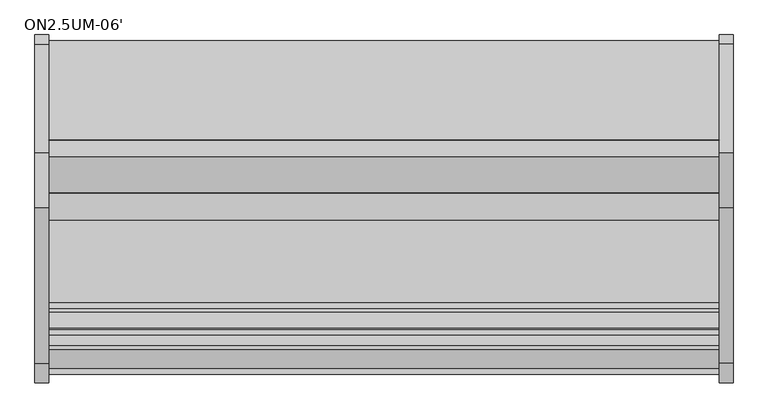
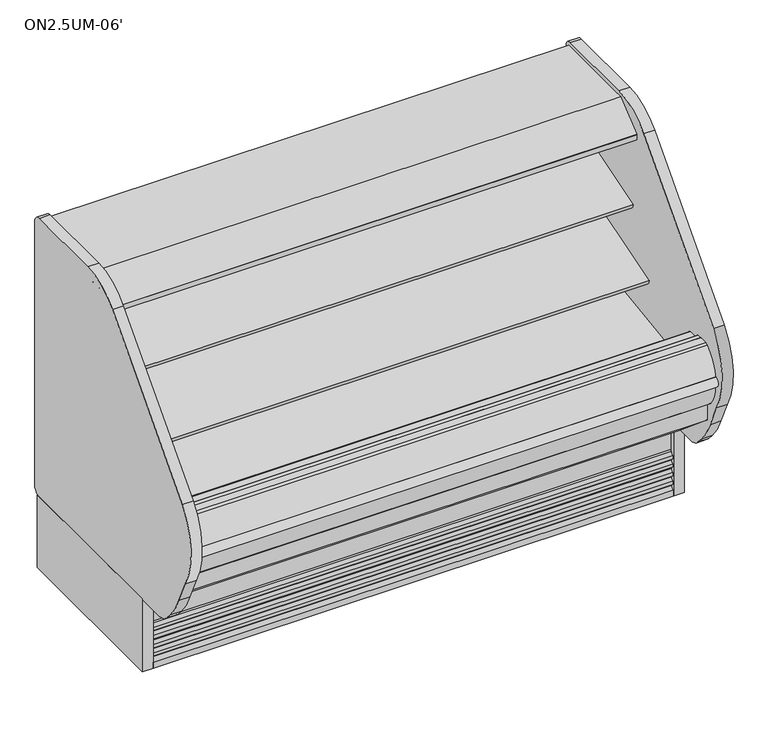
"""IFC4 building model written with IfcOpenShell, lengths in millimetres: proxy geometry, ON2.5UM-06'."""

from ifc_helpers import new_model, si_unit, point, frame, frame_2d, origin, origin_with_axes, place, context, project, spatial, polyline, circle_curve, trimmed, segment, composite_curve, outline, extrude, source, transform, mapped, element, save
from ifc_brep_helpers import plane_surface, revolved_surface, advanced_brep


def on2_5um_06_072f89f9(model_context):
    return source(origin(), model_context, "Body", "SolidModel", [
        extrude(outline(polyline([(507.388263, -893.2764617), (202.588263, -893.2764617), (202.588263, -791.6764617), (507.388263, -791.6764617), (507.388263, -893.2764617)])), frame((0.0, 0.0, 73.025), z_axis=(0.0, 0.0, 1.0), x_axis=(1.0, 0.0, 0.0)), (0.0, 0.0, 1.0), 53.975),
        extrude(outline(composite_curve([segment(polyline([(-450.9752145, 601.5405648), (-468.3502366, 595.9037411)]), True, "CONTINUOUS"), segment(trimmed(circle_curve(frame_2d((-476.1883714, 620.0641145)), 25.4), [point((-468.3502366, 595.9037411))], [point((-485.6945728, 596.5100886))], False, "CARTESIAN"), True, "CONTINUOUS"), segment(polyline([(-485.6945728, 596.5100886), (-506.9899706, 605.1047271)]), True, "CONTINUOUS"), segment(trimmed(circle_curve(frame_2d((-530.755474, 546.2196624)), 63.5), [point((-506.9899706, 605.1047271))], [point((-541.6241367, 608.7826081))], True, "CARTESIAN"), True, "CONTINUOUS"), segment(polyline([(-541.6241367, 608.7826081), (-729.3406491, 576.171812), (-731.7702933, 579.0267523), (-835.4587722, 547.3260029), (-839.6174674, 560.9284818), (-450.9752145, 679.7483426), (-450.9752145, 601.5405648)]), True, "CONTINUOUS")], self_intersect=False)), frame((0.0, 0.0, 0.0), z_axis=(1.0, 0.0, 0.0), x_axis=(0.0, 1.0, 0.0)), (0.0, 0.0, 1.0), 1828.8),
        extrude(outline(composite_curve([segment(polyline([(-450.9752145, 796.011901), (-468.3502366, 790.3750773)]), True, "CONTINUOUS"), segment(trimmed(circle_curve(frame_2d((-476.1883714, 814.5354507)), 25.4), [point((-468.3502366, 790.3750773))], [point((-485.6945728, 790.9814248))], False, "CARTESIAN"), True, "CONTINUOUS"), segment(polyline([(-485.6945728, 790.9814248), (-506.9899706, 799.5760633)]), True, "CONTINUOUS"), segment(trimmed(circle_curve(frame_2d((-530.755474, 740.6909986)), 63.5), [point((-506.9899706, 799.5760633))], [point((-541.6241367, 803.2539443))], True, "CARTESIAN"), True, "CONTINUOUS"), segment(polyline([(-541.6241367, 803.2539443), (-679.3922366, 785.9139105), (-681.8218807, 788.7688507), (-738.298209, 771.5023043), (-742.4569042, 785.1047832), (-450.9752145, 874.2196788), (-450.9752145, 796.011901)]), True, "CONTINUOUS")], self_intersect=False)), frame((0.0, 0.0, 0.0), z_axis=(1.0, 0.0, 0.0), x_axis=(0.0, 1.0, 0.0)), (0.0, 0.0, 1.0), 1828.8),
        extrude(outline(composite_curve([segment(polyline([(-648.470614, 1072.6264761), (-649.9945361, 1074.2809705)]), True, "CONTINUOUS"), segment(trimmed(circle_curve(frame_2d((-649.4381785, 1074.7934206)), 0.7563986), [point((-649.9945361, 1074.2809705))], [point((-650.0466912, 1075.242699))], False, "CARTESIAN"), True, "CONTINUOUS"), segment(polyline([(-650.0466912, 1075.242699), (-648.8697344, 1075.2696879)]), True, "CONTINUOUS"), segment(trimmed(circle_curve(frame_2d((-648.8849906, 1075.9349944)), 0.6654814), [point((-648.8697344, 1075.2696879))], [point((-648.2227389, 1075.86951))], True, "CARTESIAN"), True, "CONTINUOUS"), segment(polyline([(-648.2227389, 1075.86951), (-620.3098143, 1075.9693853)]), True, "CONTINUOUS"), segment(trimmed(circle_curve(frame_2d((-619.7582325, 1075.901174)), 0.5557835), [point((-620.3098143, 1075.9693853))], [point((-619.8063732, 1075.3474794))], True, "CARTESIAN"), True, "CONTINUOUS"), segment(polyline([(-619.8063732, 1075.3474794), (-618.5866603, 1075.2414319)]), True, "CONTINUOUS"), segment(trimmed(circle_curve(frame_2d((-619.2724659, 1074.9057275)), 0.7635619), [point((-618.5866603, 1075.2414319))], [point((-618.7071533, 1074.3924554))], False, "CARTESIAN"), True, "CONTINUOUS"), segment(polyline([(-618.7071533, 1074.3924554), (-620.2979029, 1072.6404203), (-620.2739221, 1065.9383273)]), True, "CONTINUOUS"), segment(trimmed(circle_curve(frame_2d((-617.5454128, 1065.4973187)), 2.7639197), [point((-620.2739221, 1065.9383273))], [point((-618.5092301, 1062.9068924))], True, "CARTESIAN"), True, "CONTINUOUS"), segment(trimmed(circle_curve(frame_2d((-619.7320957, 1059.6202289)), 3.5067873), [point((-618.5092301, 1062.9068924))], [point((-617.51659, 1062.3385173))], False, "CARTESIAN"), True, "CONTINUOUS"), segment(trimmed(circle_curve(frame_2d((-619.9358423, 1056.2322704)), 6.5680312), [point((-617.51659, 1062.3385173))], [point((-613.3688711, 1056.350264))], False, "CARTESIAN"), True, "CONTINUOUS"), segment(trimmed(circle_curve(frame_2d((-1565.705013, 1048.3568984)), 952.3696872), [point((-613.3688711, 1056.350264))], [point((-613.3917721, 1037.9880818))], False, "CARTESIAN"), True, "CONTINUOUS"), segment(trimmed(circle_curve(frame_2d((-644.191626, 1038.432929)), 30.8030662), [point((-613.3917721, 1037.9880818))], [point((-613.4160701, 1037.1313729))], False, "CARTESIAN"), True, "CONTINUOUS"), segment(trimmed(circle_curve(frame_2d((-614.6672942, 1036.8230636)), 1.288649), [point((-613.4160701, 1037.1313729))], [point((-613.7448372, 1035.9232363))], False, "CARTESIAN"), True, "CONTINUOUS"), segment(polyline([(-613.7448372, 1035.9232363), (-615.3844258, 1035.9173697)]), True, "CONTINUOUS"), segment(trimmed(circle_curve(frame_2d((-614.9290066, 1038.5823232)), 2.7035873), [point((-615.3844258, 1035.9173697))], [point((-616.2763262, 1036.2383706))], False, "CARTESIAN"), True, "CONTINUOUS"), segment(polyline([(-616.2763262, 1036.2383706), (-652.0965363, 1036.1102022)]), True, "CONTINUOUS"), segment(trimmed(circle_curve(frame_2d((-653.4351306, 1038.4591487)), 2.7035873), [point((-652.0965363, 1036.1102022))], [point((-653.0538308, 1035.7825847))], False, "CARTESIAN"), True, "CONTINUOUS"), segment(polyline([(-653.0538308, 1035.7825847), (-654.7261323, 1035.7766011)]), True, "CONTINUOUS"), segment(trimmed(circle_curve(frame_2d((-653.779063, 1036.6504867)), 1.288649), [point((-654.7261323, 1035.7766011))], [point((-655.0218104, 1036.9913611))], False, "CARTESIAN"), True, "CONTINUOUS"), segment(trimmed(circle_curve(frame_2d((514.6365685, 1060.3863806)), 1169.8923242), [point((-655.0218104, 1036.9913611))], [point((-655.2482668, 1056.2004152))], False, "CARTESIAN"), True, "CONTINUOUS"), segment(trimmed(circle_curve(frame_2d((-648.976975, 1056.2228546)), 6.2713319), [point((-655.2482668, 1056.2004152))], [point((-652.1320539, 1061.6427329))], False, "CARTESIAN"), True, "CONTINUOUS"), segment(polyline([(-652.1320539, 1061.6427329), (-650.1549769, 1062.7936506)]), True, "CONTINUOUS"), segment(trimmed(circle_curve(frame_2d((-651.9196866, 1065.8251158)), 3.5077032), [point((-650.1549769, 1062.7936506))], [point((-648.4120058, 1065.8376464))], True, "CARTESIAN"), True, "CONTINUOUS"), segment(polyline([(-648.4120058, 1065.8376464), (-648.470614, 1072.6264761)]), True, "CONTINUOUS")], self_intersect=False)), frame((0.0, 0.0, 0.0), z_axis=(1.0, 0.0, 0.0), x_axis=(0.0, 1.0, 0.0)), (0.0, 0.0, 1.0), 1828.8),
        extrude(outline(composite_curve([segment(polyline([(-685.859414, 1072.6264761), (-687.3833361, 1074.2809705)]), True, "CONTINUOUS"), segment(trimmed(circle_curve(frame_2d((-686.8269785, 1074.7934206)), 0.7563986), [point((-687.3833361, 1074.2809705))], [point((-687.4354912, 1075.242699))], False, "CARTESIAN"), True, "CONTINUOUS"), segment(polyline([(-687.4354912, 1075.242699), (-686.2585344, 1075.2696879)]), True, "CONTINUOUS"), segment(trimmed(circle_curve(frame_2d((-686.2737906, 1075.9349944)), 0.6654814), [point((-686.2585344, 1075.2696879))], [point((-685.6115389, 1075.86951))], True, "CARTESIAN"), True, "CONTINUOUS"), segment(polyline([(-685.6115389, 1075.86951), (-657.6986143, 1075.9693853)]), True, "CONTINUOUS"), segment(trimmed(circle_curve(frame_2d((-657.1470325, 1075.901174)), 0.5557835), [point((-657.6986143, 1075.9693853))], [point((-657.1951732, 1075.3474794))], True, "CARTESIAN"), True, "CONTINUOUS"), segment(polyline([(-657.1951732, 1075.3474794), (-655.9754603, 1075.2414319)]), True, "CONTINUOUS"), segment(trimmed(circle_curve(frame_2d((-656.6612659, 1074.9057275)), 0.7635619), [point((-655.9754603, 1075.2414319))], [point((-656.0959533, 1074.3924554))], False, "CARTESIAN"), True, "CONTINUOUS"), segment(polyline([(-656.0959533, 1074.3924554), (-657.6867029, 1072.6404203), (-657.6627221, 1065.9383273)]), True, "CONTINUOUS"), segment(trimmed(circle_curve(frame_2d((-654.9342128, 1065.4973187)), 2.7639197), [point((-657.6627221, 1065.9383273))], [point((-655.8980301, 1062.9068924))], True, "CARTESIAN"), True, "CONTINUOUS"), segment(trimmed(circle_curve(frame_2d((-657.1208957, 1059.6202289)), 3.5067873), [point((-655.8980301, 1062.9068924))], [point((-654.90539, 1062.3385173))], False, "CARTESIAN"), True, "CONTINUOUS"), segment(trimmed(circle_curve(frame_2d((-657.3246423, 1056.2322704)), 6.5680312), [point((-654.90539, 1062.3385173))], [point((-650.7576711, 1056.350264))], False, "CARTESIAN"), True, "CONTINUOUS"), segment(trimmed(circle_curve(frame_2d((-1603.093813, 1048.3568984)), 952.3696872), [point((-650.7576711, 1056.350264))], [point((-650.7805721, 1037.9880818))], False, "CARTESIAN"), True, "CONTINUOUS"), segment(trimmed(circle_curve(frame_2d((-681.580426, 1038.432929)), 30.8030662), [point((-650.7805721, 1037.9880818))], [point((-650.8048701, 1037.1313729))], False, "CARTESIAN"), True, "CONTINUOUS"), segment(trimmed(circle_curve(frame_2d((-652.0560942, 1036.8230636)), 1.288649), [point((-650.8048701, 1037.1313729))], [point((-651.1336372, 1035.9232363))], False, "CARTESIAN"), True, "CONTINUOUS"), segment(polyline([(-651.1336372, 1035.9232363), (-652.7732258, 1035.9173697)]), True, "CONTINUOUS"), segment(trimmed(circle_curve(frame_2d((-652.3178066, 1038.5823232)), 2.7035873), [point((-652.7732258, 1035.9173697))], [point((-653.6651262, 1036.2383706))], False, "CARTESIAN"), True, "CONTINUOUS"), segment(polyline([(-653.6651262, 1036.2383706), (-689.4853363, 1036.1102022)]), True, "CONTINUOUS"), segment(trimmed(circle_curve(frame_2d((-690.8239306, 1038.4591487)), 2.7035873), [point((-689.4853363, 1036.1102022))], [point((-690.4426308, 1035.7825847))], False, "CARTESIAN"), True, "CONTINUOUS"), segment(polyline([(-690.4426308, 1035.7825847), (-692.1149323, 1035.7766011)]), True, "CONTINUOUS"), segment(trimmed(circle_curve(frame_2d((-691.167863, 1036.6504867)), 1.288649), [point((-692.1149323, 1035.7766011))], [point((-692.4106104, 1036.9913611))], False, "CARTESIAN"), True, "CONTINUOUS"), segment(trimmed(circle_curve(frame_2d((477.2477685, 1060.3863806)), 1169.8923242), [point((-692.4106104, 1036.9913611))], [point((-692.6370668, 1056.2004152))], False, "CARTESIAN"), True, "CONTINUOUS"), segment(trimmed(circle_curve(frame_2d((-686.365775, 1056.2228546)), 6.2713319), [point((-692.6370668, 1056.2004152))], [point((-689.5208539, 1061.6427329))], False, "CARTESIAN"), True, "CONTINUOUS"), segment(polyline([(-689.5208539, 1061.6427329), (-687.5437769, 1062.7936506)]), True, "CONTINUOUS"), segment(trimmed(circle_curve(frame_2d((-689.3084866, 1065.8251158)), 3.5077032), [point((-687.5437769, 1062.7936506))], [point((-685.8008058, 1065.8376464))], True, "CARTESIAN"), True, "CONTINUOUS"), segment(polyline([(-685.8008058, 1065.8376464), (-685.859414, 1072.6264761)]), True, "CONTINUOUS")], self_intersect=False)), frame((0.0, 0.0, 0.0), z_axis=(1.0, 0.0, 0.0), x_axis=(0.0, 1.0, 0.0)), (0.0, 0.0, 1.0), 1828.8),
        extrude(outline(composite_curve([segment(trimmed(circle_curve(frame_2d((-634.3430759, 1052.6167993)), 14.2875), [point((-648.6305759, 1052.6167993))], [point((-620.0555759, 1052.6167993))], False, "CARTESIAN"), True, "CONTINUOUS"), segment(trimmed(circle_curve(frame_2d((-634.3430759, 1052.6167993)), 14.2875), [point((-620.0555759, 1052.6167993))], [point((-648.6305759, 1052.6167993))], False, "CARTESIAN"), True, "CONTINUOUS")], self_intersect=False)), frame((0.0, 0.0, 0.0), z_axis=(1.0, 0.0, 0.0), x_axis=(0.0, 1.0, 0.0)), (0.0, 0.0, 1.0), 1828.8),
        extrude(outline(composite_curve([segment(trimmed(circle_curve(frame_2d((-671.7318759, 1052.6167993)), 14.2875), [point((-686.0193759, 1052.6167993))], [point((-657.4443759, 1052.6167993))], False, "CARTESIAN"), True, "CONTINUOUS"), segment(trimmed(circle_curve(frame_2d((-671.7318759, 1052.6167993)), 14.2875), [point((-657.4443759, 1052.6167993))], [point((-686.0193759, 1052.6167993))], False, "CARTESIAN"), True, "CONTINUOUS")], self_intersect=False)), frame((0.0, 0.0, 0.0), z_axis=(1.0, 0.0, 0.0), x_axis=(0.0, 1.0, 0.0)), (0.0, 0.0, 1.0), 1828.8),
        extrude(outline(composite_curve([segment(polyline([(-973.672535, -56.2420958), (-970.1834379, -45.2032877), (-982.2794629, -45.2032877), (-982.2794629, -32.8224109)]), True, "CONTINUOUS"), segment(trimmed(circle_curve(frame_2d((-986.6973307, -19.3202637)), 14.2065314), [point((-982.2794629, -32.8224109))], [point((-973.1374647, -23.5576651))], True, "CARTESIAN"), True, "CONTINUOUS"), segment(polyline([(-973.1374647, -23.5576651), (-970.3324167, -14.5813913), (-982.2794629, -14.5813913), (-982.2794629, -1.8502278)]), True, "CONTINUOUS"), segment(trimmed(circle_curve(frame_2d((-986.769706, 11.7233359)), 14.2969897), [point((-982.2794629, -1.8502278))], [point((-973.1374647, 7.414518))], True, "CARTESIAN"), True, "CONTINUOUS"), segment(polyline([(-973.1374647, 7.414518), (-971.254091, 13.4413945), (-971.254091, 130.175), (-962.6443405, 130.175), (-962.6443405, -149.3857268), (-987.2903379, -149.3857268), (-987.2903379, -127.7937749)]), True, "CONTINUOUS"), segment(trimmed(circle_curve(frame_2d((-986.7545143, -114.0983982)), 13.7058546), [point((-987.2903379, -127.7937749))], [point((-973.672535, -118.186462))], True, "CARTESIAN"), True, "CONTINUOUS"), segment(polyline([(-973.672535, -118.186462), (-970.7580238, -108.8599016), (-982.8145331, -108.8599016), (-982.8145331, -96.4790247)]), True, "CONTINUOUS"), segment(trimmed(circle_curve(frame_2d((-987.2324009, -82.9768775)), 14.2065314), [point((-982.8145331, -96.4790247))], [point((-973.672535, -87.2142789))], True, "CARTESIAN"), True, "CONTINUOUS"), segment(polyline([(-973.672535, -87.2142789), (-970.867487, -78.2380052), (-982.8145331, -78.2380052), (-982.8145331, -65.5068416)]), True, "CONTINUOUS"), segment(trimmed(circle_curve(frame_2d((-987.3047763, -51.933278)), 14.2969897), [point((-982.8145331, -65.5068416))], [point((-973.672535, -56.2420958))], True, "CARTESIAN"), True, "CONTINUOUS")], self_intersect=False)), frame((0.0, 0.0, 0.0), z_axis=(1.0, 0.0, 0.0), x_axis=(0.0, 1.0, 0.0)), (0.0, 0.0, 1.0), 1828.8),
        extrude(outline(polyline([(-349.0071273, 130.0142732), (-349.0071273, -149.3857268), (-390.3074283, -149.3857268), (-390.3074283, -79.5357268), (-920.5324283, -79.5357268), (-920.5324283, -149.3857268), (-962.9606519, -149.3857268), (-962.9606519, 130.0142732), (-349.0071273, 130.0142732)])), frame((0.0, 0.0, 0.0), z_axis=(1.0, 0.0, 0.0), x_axis=(0.0, 1.0, 0.0)), (0.0, 0.0, 1.0), 1828.8),
        extrude(outline(composite_curve([segment(polyline([(-399.8071273, 210.4307819), (-850.7588442, 194.683201), (-887.8011508, 163.7297871), (-889.0391302, 163.6865559), (-901.7492603, 153.7615258), (-962.0375119, 151.6562137), (-975.406166, 160.6685318), (-976.7040986, 160.6685318), (-1015.7041009, 188.882107), (-1030.3158209, 188.3718545), (-1140.3441273, 280.6965658), (-1140.3441273, 390.4771975), (-1152.9959201, 390.4771975), (-1152.9959201, 539.5892732), (-1138.0485917, 539.5892732)]), True, "CONTINUOUS"), segment(trimmed(circle_curve(frame_2d((-1138.0485917, 536.4142732)), 3.175), [point((-1138.0485917, 539.5892732))], [point((-1134.8735917, 536.4142732))], False, "CARTESIAN"), True, "CONTINUOUS"), segment(polyline([(-1134.8735917, 536.4142732), (-1134.8735917, 523.3115042), (-1089.9420117, 523.3115042)]), True, "CONTINUOUS"), segment(trimmed(circle_curve(frame_2d((-1089.9420117, 515.3867042)), 7.9248), [point((-1089.9420117, 523.3115042))], [point((-1082.0172117, 515.3867042))], False, "CARTESIAN"), True, "CONTINUOUS"), segment(polyline([(-1082.0172117, 515.3867042), (-1082.0172117, 377.7429537), (-1064.7975145, 377.7429537), (-542.3529877, 450.4013198), (-462.7893073, 458.1248825)]), True, "CONTINUOUS"), segment(trimmed(circle_curve(frame_2d((-463.6752145, 470.7939459)), 12.7), [point((-462.7893073, 458.1248825))], [point((-450.9752145, 470.7939459))], True, "CARTESIAN"), True, "CONTINUOUS"), segment(polyline([(-450.9752145, 470.7939459), (-450.9752145, 1012.0331953), (-399.8071273, 1012.0331953), (-399.8071273, 210.4307819)]), True, "CONTINUOUS")], self_intersect=False)), frame((0.0, 0.0, 0.0), z_axis=(1.0, 0.0, 0.0), x_axis=(0.0, 1.0, 0.0)), (0.0, 0.0, 1.0), 1828.8),
        advanced_brep(
        [(1828.8, -1040.4311421, 130.175), (1828.8, -349.0071273, 130.175), (1828.8, -349.0071273, 1092.2749935), (1828.8, -399.8071273, 1092.2749935), (1828.8, -399.8071273, 210.4307819), (1828.8, -850.7588442, 194.683201), (1828.8, -887.8011508, 163.7297871), (1828.8, -889.0391302, 163.6865559), (1828.8, -901.7492603, 153.7615258), (1828.8, -962.0375119, 151.6562137), (1828.8, -975.7864511, 160.9248965), (1828.8, -977.0584749, 160.9248965), (1828.8, -1015.7041009, 188.882107), (1828.8, -1030.3158209, 188.3718545), (1828.8, -1140.3441273, 280.6965658), (1828.8, -1140.3441273, 390.4771975), (1828.8, -1192.9399655, 390.4771975), (1828.8, -1192.9399655, 258.1450974), (0.0, -1040.4311421, 130.175), (0.0, -1192.9399655, 258.1450974), (0.0, -1192.9399655, 390.4771975), (0.0, -1140.3441273, 390.4771975), (0.0, -1140.3441273, 280.6965658), (0.0, -1030.3158209, 188.3718545), (0.0, -1015.7041009, 188.882107), (0.0, -977.0584749, 160.9248965), (0.0, -975.7864511, 160.9248965), (0.0, -962.0375119, 151.6562137), (0.0, -901.7492603, 153.7615258), (0.0, -889.0391302, 163.6865559), (0.0, -887.8011508, 163.7297871), (0.0, -850.7588442, 194.683201), (0.0, -399.8071273, 210.4307819), (0.0, -399.8071273, 1092.2749935), (0.0, -349.0071273, 1092.2749935), (0.0, -349.0071273, 130.175), (1727.2, -349.0071273, 279.4), (1727.2, -349.0071273, 342.9), (1727.2, -399.8071273, 342.9), (1727.2, -399.8071273, 279.4)],
        [
            (0, 1),
            (1, 2),
            (2, 3),
            (3, 4),
            (4, 5),
            (5, 6),
            (6, 7),
            (7, 8),
            (8, 9),
            (9, 10),
            (10, 11),
            (11, 12),
            (12, 13),
            (13, 14),
            (14, 15),
            (15, 16),
            (16, 17),
            (17, 0),
            (18, 19),
            (19, 20),
            (20, 21),
            (21, 22),
            (22, 23),
            (23, 24),
            (24, 25),
            (25, 26),
            (26, 27),
            (27, 28),
            (28, 29),
            (29, 30),
            (30, 31),
            (31, 32),
            (32, 33),
            (33, 34),
            (34, 35),
            (35, 18),
            (0, 18),
            (35, 1),
            (34, 2),
            (36, 37, circle_curve(frame((1727.2, -349.0071273, 311.15), z_axis=(0.0, -1.0, 0.0), x_axis=(0.0, 0.0, -1.0)), 31.75)),
            (37, 36, circle_curve(frame((1727.2, -349.0071273, 311.15), z_axis=(0.0, -1.0, 0.0), x_axis=(0.0, 0.0, -1.0)), 31.75)),
            (33, 3),
            (32, 4),
            (38, 39, circle_curve(frame((1727.2, -399.8071273, 311.15), z_axis=(0.0, 1.0, 0.0), x_axis=(0.0, 0.0, -1.0)), 31.75)),
            (39, 38, circle_curve(frame((1727.2, -399.8071273, 311.15), z_axis=(0.0, 1.0, 0.0), x_axis=(0.0, 0.0, -1.0)), 31.75)),
            (5, 31),
            (30, 6),
            (29, 7),
            (28, 8),
            (27, 9),
            (26, 10),
            (25, 11),
            (24, 12),
            (23, 13),
            (22, 14),
            (21, 15),
            (20, 16),
            (19, 17),
            (36, 39),
            (38, 37),
        ],
        [
            plane_surface(frame((1828.8, -349.0071273, 130.175), z_axis=(1.0, 0.0, 0.0), x_axis=(0.0, 1.0, 0.0))),
            plane_surface(frame((0.0, -349.0071273, 130.175), z_axis=(-1.0, 0.0, 0.0), x_axis=(0.0, -1.0, 0.0))),
            plane_surface(frame((1828.8, -1040.4311421, 130.175), z_axis=(0.0, 0.0, -1.0), x_axis=(-1.0, 0.0, 0.0))),
            plane_surface(frame((1828.8, -349.0071273, 130.175), z_axis=(0.0, 1.0, 0.0), x_axis=(-1.0, 0.0, 0.0))),
            plane_surface(frame((1828.8, -349.0071273, 1092.2749935), z_axis=(0.0, 0.0, 1.0), x_axis=(-1.0, 0.0, 0.0))),
            plane_surface(frame((1828.8, -399.8071273, 1092.2749935), z_axis=(0.0, -1.0, 0.0), x_axis=(-1.0, 0.0, 0.0))),
            plane_surface(frame((1828.8, -850.7588442, 194.683201), z_axis=(0.0, -0.6412208566385922, 0.7673563794037749), x_axis=(-1.0, 0.0, 0.0))),
            plane_surface(frame((1828.8, -887.8011508, 163.7297871), z_axis=(0.0, -0.03489949670156376, 0.9993908270191285), x_axis=(-1.0, 0.0, 0.0))),
            plane_surface(frame((1828.8, -889.0391302, 163.6865559), z_axis=(0.0, -0.6154607629252825, 0.7881675261639681), x_axis=(-1.0, 0.0, 0.0))),
            plane_surface(frame((1828.8, -901.7492603, 153.7615258), z_axis=(0.0, -0.03489949670244605, 0.9993908270190978), x_axis=(-1.0, 0.0, 0.0))),
            plane_surface(frame((1828.8, -962.0375119, 151.6562137), z_axis=(0.0, 0.5589817440967393, 0.8291799622317025), x_axis=(-1.0, 0.0, 0.0))),
            plane_surface(frame((1828.8, -975.7864511, 160.9248965), z_axis=(0.0, 0.0, 1.0), x_axis=(-1.0, 0.0, 0.0))),
            plane_surface(frame((1828.8, -977.0584749, 160.9248965), z_axis=(0.0, 0.5861307997256155, 0.8102164436821869), x_axis=(-1.0, 0.0, 0.0))),
            plane_surface(frame((1828.8, -1015.7041009, 188.882107), z_axis=(0.0, -0.03489949670336666, 0.9993908270190656), x_axis=(-1.0, 0.0, 0.0))),
            plane_surface(frame((1828.8, -1030.3158209, 188.3718545), z_axis=(0.0, 0.6427876096870732, 0.7660444431185303), x_axis=(-1.0, 0.0, 0.0))),
            plane_surface(frame((1828.8, -1140.3441273, 280.6965658), z_axis=(0.0, 1.0, 0.0), x_axis=(-1.0, 0.0, 0.0))),
            plane_surface(frame((1828.8, -1140.3441273, 390.4771975), z_axis=(0.0, 0.0, 1.0), x_axis=(-1.0, 0.0, 0.0))),
            plane_surface(frame((1828.8, -1192.9399655, 390.4771975), z_axis=(0.0, -1.0, 0.0), x_axis=(-1.0, 0.0, 0.0))),
            plane_surface(frame((1828.8, -1192.9399655, 258.1450974), z_axis=(0.0, -0.642787609687077, -0.7660444431185269), x_axis=(-1.0, 0.0, 0.0))),
            revolved_surface(polyline([(1727.2, -349.0071273, 279.4), (1727.2, -399.8071273, 279.4)]), (1727.2, -399.8071273, 311.15), (0.0, 1.0, 0.0)),
            plane_surface(frame((1828.8, -399.8071273, 210.4307819), z_axis=(0.0, -0.03489949670246552, 0.999390827019097), x_axis=(-1.0, 0.0, 0.0))),
        ],
        [
            (0, [[1, 2, 3, 4, 5, 6, 7, 8, 9, 10, 11, 12, 13, 14, 15, 16, 17, 18]]),
            (1, [[19, 20, 21, 22, 23, 24, 25, 26, 27, 28, 29, 30, 31, 32, 33, 34, 35, 36]]),
            (2, [[-1, 37, -36, 38]]),
            (3, [[-2, -38, -35, 39], [40, 41]]),
            (4, [[-3, -39, -34, 42]]),
            (5, [[-4, -42, -33, 43], [44, 45]]),
            (6, [[-6, 46, -31, 47]]),
            (7, [[-7, -47, -30, 48]]),
            (8, [[-8, -48, -29, 49]]),
            (9, [[-9, -49, -28, 50]]),
            (10, [[-10, -50, -27, 51]]),
            (11, [[-11, -51, -26, 52]]),
            (12, [[-12, -52, -25, 53]]),
            (13, [[-13, -53, -24, 54]]),
            (14, [[-14, -54, -23, 55]]),
            (15, [[-15, -55, -22, 56]]),
            (16, [[-16, -56, -21, 57]]),
            (17, [[-17, -57, -20, 58]]),
            (18, [[-18, -58, -19, -37]]),
            (19, [[59, -44, 60, -40]]),
            (19, [[-59, -41, -60, -45]]),
            (20, [[-5, -43, -32, -46]]),
        ],
    ),
        extrude(outline(composite_curve([segment(trimmed(circle_curve(frame_2d((1595.4375, -939.5571273)), 11.1125), [point((1584.325, -939.5571273))], [point((1606.55, -939.5571273))], False, "CARTESIAN"), True, "CONTINUOUS"), segment(trimmed(circle_curve(frame_2d((1595.4375, -939.5571273)), 11.1125), [point((1606.55, -939.5571273))], [point((1584.325, -939.5571273))], False, "CARTESIAN"), True, "CONTINUOUS")], self_intersect=False)), origin_with_axes(), (0.0, 0.0, 1.0), 127.0),
        extrude(outline(composite_curve([segment(trimmed(circle_curve(frame_2d((1620.8375, -939.5571273)), 4.7625), [point((1616.075, -939.5571273))], [point((1625.6, -939.5571273))], False, "CARTESIAN"), True, "CONTINUOUS"), segment(trimmed(circle_curve(frame_2d((1620.8375, -939.5571273)), 4.7625), [point((1625.6, -939.5571273))], [point((1616.075, -939.5571273))], False, "CARTESIAN"), True, "CONTINUOUS")], self_intersect=False)), origin_with_axes(), (0.0, 0.0, 1.0), 127.0),
        extrude(outline(composite_curve([segment(trimmed(circle_curve(frame_2d((914.4, -939.5571273)), 19.05), [point((895.35, -939.5571273))], [point((933.45, -939.5571273))], False, "CARTESIAN"), True, "CONTINUOUS"), segment(trimmed(circle_curve(frame_2d((914.4, -939.5571273)), 19.05), [point((933.45, -939.5571273))], [point((895.35, -939.5571273))], False, "CARTESIAN"), True, "CONTINUOUS")], self_intersect=False)), origin_with_axes(), (0.0, 0.0, 1.0), 127.0),
        extrude(outline(composite_curve([segment(polyline([(-349.0071273, 1092.2749935), (-399.8071273, 1092.2749935), (-399.8071273, 1012.0331953), (-450.9752145, 1012.0331953), (-450.9752145, 965.1025378), (-452.6021305, 965.1025378), (-476.2704286, 961.7782473)]), True, "CONTINUOUS"), segment(trimmed(circle_curve(frame_2d((-476.4103115, 963.3519225)), 1.57988), [point((-476.2704286, 961.7782473))], [point((-477.9748162, 963.1320457))], False, "CARTESIAN"), True, "CONTINUOUS"), segment(polyline([(-477.9748162, 963.1320457), (-478.8596259, 969.4277938), (-478.0748583, 969.5380857), (-490.0103931, 1054.4638279), (-490.7906652, 1054.3602184), (-491.8137739, 1062.0649865)]), True, "CONTINUOUS"), segment(trimmed(circle_curve(frame_2d((-490.2526771, 1062.272283)), 1.5748), [point((-491.8137739, 1062.0649865))], [point((-490.4599737, 1063.8333798))], False, "CARTESIAN"), True, "CONTINUOUS"), segment(polyline([(-490.4599737, 1063.8333798), (-466.4955625, 1067.0155909)]), True, "CONTINUOUS"), segment(trimmed(circle_curve(frame_2d((-466.288266, 1065.4544941)), 1.5748), [point((-466.4955625, 1067.0155909))], [point((-464.7836013, 1065.9192298))], False, "CARTESIAN"), True, "CONTINUOUS"), segment(polyline([(-464.7836013, 1065.9192298), (-462.0166042, 1056.9605838), (-452.3090902, 1059.9588787), (-454.1216347, 1065.8273143), (-457.7728022, 1064.6996026), (-458.7166992, 1064.1088718), (-482.986121, 1093.0320425), (-691.3544388, 1093.0320425), (-692.1926388, 1092.1938425), (-692.1926388, 1081.0686425), (-692.7507284, 1079.8898324), (-737.3885713, 1043.3138324), (-738.3544817, 1042.9686425), (-749.8511048, 1042.9686425), (-749.8511048, 1041.0368669), (-764.9122817, 1041.0368669), (-764.9122817, 1059.4011534), (-764.3645933, 1060.5494059), (-666.4673876, 1139.825), (-349.0071273, 1139.825), (-349.0071273, 1092.2749935)]), True, "CONTINUOUS")], self_intersect=False), holes=[composite_curve([segment(polyline([(-475.8499668, 962.4501808), (-452.2692084, 965.7642403), (-466.3652471, 1066.0627674), (-489.1258285, 1063.0404117)]), True, "CONTINUOUS"), segment(trimmed(circle_curve(frame_2d((-489.0221802, 1062.2598633)), 0.7874), [point((-489.1258285, 1063.0404117))], [point((-489.8027323, 1062.156243))], True, "CARTESIAN"), True, "CONTINUOUS"), segment(polyline([(-489.8027323, 1062.156243), (-488.7798961, 1054.4514082), (-475.8499668, 962.4501808)]), True, "CONTINUOUS")], self_intersect=False)]), frame((0.0, 0.0, 0.0), z_axis=(1.0, 0.0, 0.0), x_axis=(0.0, 1.0, 0.0)), (0.0, 0.0, 1.0), 1828.8),
        extrude(outline(composite_curve([segment(polyline([(-647.0430759, 1084.0509567), (-648.8822888, 1092.4583567), (-619.8038629, 1092.4583567), (-621.6430759, 1084.0509567), (-621.6430759, 1076.3247619)]), True, "CONTINUOUS"), segment(trimmed(circle_curve(frame_2d((-634.3430759, 1069.7793317)), 14.2875), [point((-621.6430759, 1076.3247619))], [point((-647.0430759, 1076.3247619))], True, "CARTESIAN"), True, "CONTINUOUS"), segment(polyline([(-647.0430759, 1076.3247619), (-647.0430759, 1084.0509567)]), True, "CONTINUOUS")], self_intersect=False)), frame((0.0, 0.0, 0.0), z_axis=(1.0, 0.0, 0.0), x_axis=(0.0, 1.0, 0.0)), (0.0, 0.0, 1.0), 1828.8),
        extrude(outline(composite_curve([segment(trimmed(circle_curve(frame_2d((-671.7318759, 1069.7793317)), 14.2875), [point((-659.0318759, 1076.3247619))], [point((-684.4318759, 1076.3247619))], True, "CARTESIAN"), True, "CONTINUOUS"), segment(polyline([(-684.4318759, 1076.3247619), (-684.4318759, 1084.0509567), (-686.2710888, 1092.4583567), (-657.1926629, 1092.4583567), (-659.0318759, 1084.0509567), (-659.0318759, 1076.3247619)]), True, "CONTINUOUS")], self_intersect=False)), frame((0.0, 0.0, 0.0), z_axis=(1.0, 0.0, 0.0), x_axis=(0.0, 1.0, 0.0)), (0.0, 0.0, 1.0), 1828.8),
        extrude(outline(composite_curve([segment(trimmed(circle_curve(frame_2d((-634.3430759, 1049.1418317)), 14.2875), [point((-648.6305759, 1049.1418317))], [point((-620.0555759, 1049.1418317))], False, "CARTESIAN"), True, "CONTINUOUS"), segment(trimmed(circle_curve(frame_2d((-634.3430759, 1049.1418317)), 14.2875), [point((-620.0555759, 1049.1418317))], [point((-648.6305759, 1049.1418317))], False, "CARTESIAN"), True, "CONTINUOUS")], self_intersect=False)), frame((0.0, 0.0, 0.0), z_axis=(1.0, 0.0, 0.0), x_axis=(0.0, 1.0, 0.0)), (0.0, 0.0, 1.0), 1828.8),
        extrude(outline(composite_curve([segment(trimmed(circle_curve(frame_2d((-671.7318759, 1049.1418317)), 14.2875), [point((-657.4443759, 1049.1418317))], [point((-686.0193759, 1049.1418317))], False, "CARTESIAN"), True, "CONTINUOUS"), segment(trimmed(circle_curve(frame_2d((-671.7318759, 1049.1418317)), 14.2875), [point((-686.0193759, 1049.1418317))], [point((-657.4443759, 1049.1418317))], False, "CARTESIAN"), True, "CONTINUOUS")], self_intersect=False)), frame((0.0, 0.0, 0.0), z_axis=(1.0, 0.0, 0.0), x_axis=(0.0, 1.0, 0.0)), (0.0, 0.0, 1.0), 1828.8),
        extrude(outline(composite_curve([segment(trimmed(circle_curve(frame_2d((-1243.3454388, 431.6392732)), 17.3404466), [point((-1243.9159908, 414.3082155))], [point((-1243.9159908, 448.9703308))], False, "CARTESIAN"), True, "CONTINUOUS"), segment(trimmed(circle_curve(frame_2d((-1244.4865429, 431.6392732)), 17.3404466), [point((-1243.9159908, 448.9703308))], [point((-1243.9159908, 414.3082155))], False, "CARTESIAN"), True, "CONTINUOUS")], self_intersect=False)), frame((0.0, 0.0, 0.0), z_axis=(1.0, 0.0, 0.0), x_axis=(0.0, 1.0, 0.0)), (0.0, 0.0, 1.0), 1828.8),
        extrude(outline(composite_curve([segment(polyline([(-1192.9399655, 330.0519731), (-1209.3590917, 330.0519732)]), True, "CONTINUOUS"), segment(trimmed(circle_curve(frame_2d((-1209.3590917, 336.4019735)), 6.3500003), [point((-1209.3590917, 330.0519732))], [point((-1214.1204173, 332.2005116))], False, "CARTESIAN"), True, "CONTINUOUS"), segment(trimmed(circle_curve(frame_2d((-1112.5910686, 415.8326039)), 131.5391027), [point((-1214.1204173, 332.2005116))], [point((-1244.1224306, 414.4056046))], False, "CARTESIAN"), True, "CONTINUOUS"), segment(trimmed(circle_curve(frame_2d((-1244.4862372, 431.7422344)), 17.3404466), [point((-1244.1224306, 414.4056046))], [point((-1244.476772, 449.0826785))], True, "CARTESIAN"), True, "CONTINUOUS"), segment(trimmed(circle_curve(frame_2d((-1103.5131671, 423.3102831)), 143.3002242), [point((-1244.476772, 449.0826785))], [point((-1192.8405144, 535.3619643))], False, "CARTESIAN"), True, "CONTINUOUS"), segment(trimmed(circle_curve(frame_2d((-1182.0540917, 523.7142732)), 15.875), [point((-1192.8405144, 535.3619643))], [point((-1182.0540917, 539.5892732))], False, "CARTESIAN"), True, "CONTINUOUS"), segment(polyline([(-1182.0540917, 539.5892732), (-1152.9959201, 539.5892732), (-1152.9959201, 390.4771975), (-1192.9399655, 390.4771975), (-1192.9399655, 330.0519731)]), True, "CONTINUOUS")], self_intersect=False)), frame((0.0, 0.0, 0.0), z_axis=(1.0, 0.0, 0.0), x_axis=(0.0, 1.0, 0.0)), (0.0, 0.0, 1.0), 1828.8),
        extrude(outline(polyline([(1828.8, -987.1821273), (1828.8, -349.0071273), (1866.9, -349.0071273), (1866.9, -987.1821273), (1828.8, -987.1821273)])), frame((0.0, 0.0, -149.3857268), z_axis=(0.0, 0.0, 1.0), x_axis=(1.0, 0.0, 0.0)), (0.0, 0.0, 1.0), 269.875),
        extrude(outline(polyline([(0.0, -349.0071273), (0.0, -987.1821273), (-38.1, -987.1821273), (-38.1, -349.0071273), (0.0, -349.0071273)])), frame((0.0, 0.0, -149.3857268), z_axis=(0.0, 0.0, 1.0), x_axis=(1.0, 0.0, 0.0)), (0.0, 0.0, 1.0), 269.875),
        extrude(outline(composite_curve([segment(polyline([(-333.4882527, 1129.4453274), (-333.4882527, 146.4514655)]), True, "CONTINUOUS"), segment(trimmed(circle_curve(frame_2d((-359.4504451, 146.4514655)), 25.9621924), [point((-333.4882527, 146.4514655))], [point((-359.4504451, 120.4892732))], False, "CARTESIAN"), True, "CONTINUOUS"), segment(polyline([(-359.4504451, 120.4892732), (-1091.5724294, 120.4892732)]), True, "CONTINUOUS"), segment(trimmed(circle_curve(frame_2d((-1091.5724294, 177.8171266)), 57.3278534), [point((-1091.5724294, 120.4892732))], [point((-1135.5496727, 141.0409815))], False, "CARTESIAN"), True, "CONTINUOUS"), segment(trimmed(circle_curve(frame_2d((-90.7024922, 1134.997715)), 1442.1011125), [point((-1135.5496727, 141.0409815))], [point((-1158.1368196, 165.3381998))], False, "CARTESIAN"), True, "CONTINUOUS"), segment(trimmed(circle_curve(frame_2d((-965.4273593, 340.3958657)), 260.35), [point((-1158.1368196, 165.3381998))], [point((-1209.509184, 249.8078679))], False, "CARTESIAN"), True, "CONTINUOUS"), segment(trimmed(circle_curve(frame_2d((-1810.371575, 26.8051063)), 640.910169), [point((-1209.509184, 249.8078679))], [point((-1248.6048522, 335.3241395))], True, "CARTESIAN"), True, "CONTINUOUS"), segment(trimmed(circle_curve(frame_2d((-1030.4363779, 465.0916313)), 253.8446082), [point((-1248.6048522, 335.3241395))], [point((-1230.9114425, 620.8055793))], False, "CARTESIAN"), True, "CONTINUOUS"), segment(polyline([(-1230.9114425, 620.8055793), (-806.6927097, 1087.6272751)]), True, "CONTINUOUS"), segment(trimmed(circle_curve(frame_2d((-654.7824756, 949.5806342)), 205.2646932), [point((-806.6927097, 1087.6272751))], [point((-654.7824756, 1154.8453274))], False, "CARTESIAN"), True, "CONTINUOUS"), segment(polyline([(-654.7824756, 1154.8453274), (-358.8882527, 1154.8453274)]), True, "CONTINUOUS"), segment(trimmed(circle_curve(frame_2d((-358.8882527, 1129.4453274)), 25.4), [point((-358.8882527, 1154.8453274))], [point((-333.4882527, 1129.4453274))], False, "CARTESIAN"), True, "CONTINUOUS")], self_intersect=False)), frame((1828.8, 0.0, 0.0), z_axis=(1.0, 0.0, 0.0), x_axis=(0.0, 1.0, 0.0)), (0.0, 0.0, 1.0), 38.1),
        extrude(outline(composite_curve([segment(trimmed(circle_curve(frame_2d((-654.7824756, 949.5806342)), 205.2646932), [point((-806.6927097, 1087.6272751))], [point((-654.7824756, 1154.8453274))], False, "CARTESIAN"), True, "CONTINUOUS"), segment(polyline([(-654.7824756, 1154.8453274), (-358.8882527, 1154.8453274)]), True, "CONTINUOUS"), segment(trimmed(circle_curve(frame_2d((-358.8882527, 1129.4453274)), 25.4), [point((-358.8882527, 1154.8453274))], [point((-333.4882527, 1129.4453274))], False, "CARTESIAN"), True, "CONTINUOUS"), segment(polyline([(-333.4882527, 1129.4453274), (-333.4882527, 146.4514655)]), True, "CONTINUOUS"), segment(trimmed(circle_curve(frame_2d((-359.4504451, 146.4514655)), 25.9621924), [point((-333.4882527, 146.4514655))], [point((-359.4504451, 120.4892732))], False, "CARTESIAN"), True, "CONTINUOUS"), segment(polyline([(-359.4504451, 120.4892732), (-1091.5724294, 120.4892732)]), True, "CONTINUOUS"), segment(trimmed(circle_curve(frame_2d((-1091.5724294, 177.8171266)), 57.3278534), [point((-1091.5724294, 120.4892732))], [point((-1135.5496727, 141.0409815))], False, "CARTESIAN"), True, "CONTINUOUS"), segment(trimmed(circle_curve(frame_2d((-90.7024922, 1134.997715)), 1442.1011125), [point((-1135.5496727, 141.0409815))], [point((-1158.1368196, 165.3381998))], False, "CARTESIAN"), True, "CONTINUOUS"), segment(trimmed(circle_curve(frame_2d((-965.4273593, 340.3958657)), 260.35), [point((-1158.1368196, 165.3381998))], [point((-1209.509184, 249.8078679))], False, "CARTESIAN"), True, "CONTINUOUS"), segment(trimmed(circle_curve(frame_2d((-1810.371575, 26.8051063)), 640.910169), [point((-1209.509184, 249.8078679))], [point((-1248.6048522, 335.3241395))], True, "CARTESIAN"), True, "CONTINUOUS"), segment(trimmed(circle_curve(frame_2d((-1030.4363779, 465.0916313)), 253.8446082), [point((-1248.6048522, 335.3241395))], [point((-1230.9114425, 620.8055793))], False, "CARTESIAN"), True, "CONTINUOUS"), segment(polyline([(-1230.9114425, 620.8055793), (-806.6927097, 1087.6272751)]), True, "CONTINUOUS")], self_intersect=False)), frame((-38.1, 0.0, 0.0), z_axis=(1.0, 0.0, 0.0), x_axis=(0.0, 1.0, 0.0)), (0.0, 0.0, 1.0), 38.1),
    ])


if __name__ == "__main__":
    model = new_model("IFC4")
    model_context = context("Model", 3, world=origin())
    ifc_project = project(units=[si_unit("LENGTHUNIT", "METRE", prefix="MILLI")], contexts=[model_context])
    site = spatial("IfcSite", under=ifc_project)
    building = spatial("IfcBuilding", under=site)
    placement = place(None, origin())
    on2_5um_06_shape = on2_5um_06_072f89f9(model_context)
    element("IfcBuildingElementProxy", 1, Name="ON2.5UM-06'", ObjectType="ON2.5UM-06'", at=placement, inside=building, context=model_context, shape_type="MappedRepresentation", body=[
        mapped(on2_5um_06_shape, transform((0.0, 0.0, 0.0), x_axis=(1.0, 0.0, 0.0), y_axis=(0.0, 1.0, 0.0), z_axis=(0.0, 0.0, 1.0))),
    ])
    save(model, "model.ifc")
